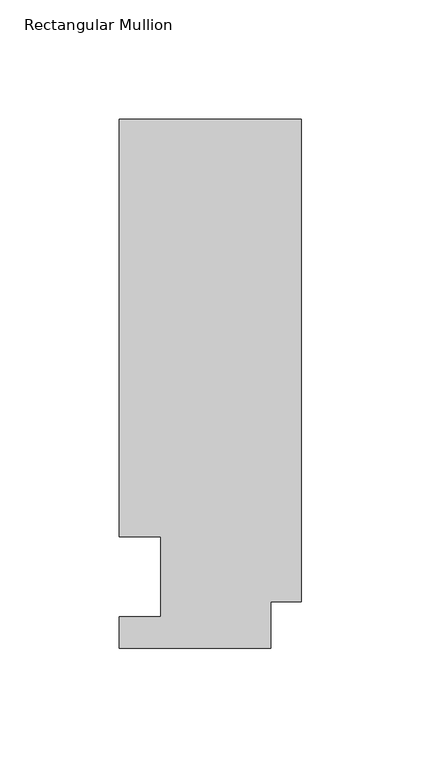
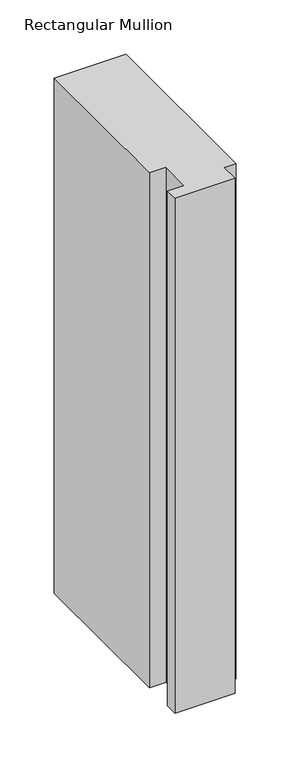
"""IFC4 building model written with IfcOpenShell, lengths in millimetres: member geometry, Rectangular Mullion."""

import ifcopenshell
import ifcopenshell.guid

model = None  # the IFC model being written
_history = None  # IfcOwnerHistory: only IFC2X3 demands one
_inside = {}  # id of a spatial element -> (the spatial element, [elements in it])
_under = {}  # id of a project, library or spatial element -> (it, [spatial elements below it])
_declared = {}  # id of a project -> (the project, [libraries it declares])
_typed = {}  # id of a type object -> (the type object, [elements of that type])
_made_of = {}  # id of a material, layer set ... -> (it, [elements and type objects made of it])


def new_model(schema):
    """Start an empty IFC model of exactly this schema.

    Asked for "IFC4X3", IfcOpenShell would pick the latest addendum, in which some entities
    have other attributes; the version numbers below select the first issue.
    IFC2X3 requires an IfcOwnerHistory on every rooted entity: one is made here for all.
    """
    global model, _history
    if schema == "IFC4X3":
        model = ifcopenshell.file(schema_version=(4, 3, 0, 0))
    else:
        model = ifcopenshell.file(schema=schema)
    _inside.clear()
    _under.clear()
    _declared.clear()
    _typed.clear()
    _made_of.clear()
    _history = None
    if model.schema == "IFC2X3":
        org = make("IfcOrganization", Name="unknown")
        user = make(
            "IfcPersonAndOrganization",
            ThePerson=make("IfcPerson", FamilyName="unknown"),
            TheOrganization=org,
        )
        app = make(
            "IfcApplication",
            ApplicationDeveloper=org,
            Version="unknown",
            ApplicationFullName="unknown",
            ApplicationIdentifier="unknown",
        )
        _history = make(
            "IfcOwnerHistory",
            OwningUser=user,
            OwningApplication=app,
            ChangeAction="ADDED",
            CreationDate=0,
        )
    return model


def make(cls, **values):
    """One entity of the class cls with the attributes given. An attribute that is None is left unset."""
    return model.create_entity(
        cls, **{name: value for name, value in values.items() if value is not None}
    )


def rooted(cls, **values):
    """An entity with a GlobalId (a new one), such as an element, a storey or a relation."""
    return make(cls, GlobalId=ifcopenshell.guid.new(), OwnerHistory=_history, **values)


def si_unit(unit_type, name, prefix=None):
    """IfcSIUnit, for example si_unit("LENGTHUNIT", "METRE", prefix="MILLI")."""
    return make("IfcSIUnit", UnitType=unit_type, Prefix=prefix, Name=name)


def assignment(units):
    """IfcUnitAssignment: the units of a project."""
    return None if units is None else make("IfcUnitAssignment", Units=units)


def point(xyz):
    """IfcCartesianPoint."""
    return None if xyz is None else make("IfcCartesianPoint", Coordinates=xyz)


def direction(xyz):
    """IfcDirection."""
    return None if xyz is None else make("IfcDirection", DirectionRatios=xyz)


def frame(location, z_axis=None, x_axis=None):
    """IfcAxis2Placement3D, a coordinate frame: its origin and axes. An axis left out is left unset."""
    return make(
        "IfcAxis2Placement3D",
        Location=point(location),
        Axis=direction(z_axis),
        RefDirection=direction(x_axis),
    )


def origin():
    """The frame at (0, 0, 0) with its axes left unset."""
    return frame((0.0, 0.0, 0.0))


def place(relative_to, where):
    """IfcLocalPlacement: puts the frame where relative to a parent placement (None: the world)."""
    return make(
        "IfcLocalPlacement", PlacementRelTo=relative_to, RelativePlacement=where
    )


def context(
    kind, dimensions, precision=None, world=None, true_north=None, identifier=None
):
    """IfcGeometricRepresentationContext, for example the 3D "Model" context."""
    return make(
        "IfcGeometricRepresentationContext",
        ContextIdentifier=identifier,
        ContextType=kind,
        CoordinateSpaceDimension=dimensions,
        Precision=precision,
        WorldCoordinateSystem=world,
        TrueNorth=true_north,
    )


def project(units=None, contexts=None):
    """IfcProject with its units and contexts."""
    return rooted(
        "IfcProject",
        Name="project",
        RepresentationContexts=contexts,
        UnitsInContext=assignment(units),
    )


def spatial(cls, under=None, at=None, **own):
    """A site, building, storey or space (cls), placed at a placement, below another one or the project."""
    s = rooted(cls, ObjectPlacement=at, **own)
    if under is not None:
        _under.setdefault(under.id(), (under, []))[1].append(s)
    return s


def polyline(points):
    """IfcPolyline through the points."""
    return make("IfcPolyline", Points=[point(p) for p in points])


def outline(outer, holes=None, kind="AREA"):
    """IfcArbitraryClosedProfileDef: a profile drawn as a closed curve; with holes, ...WithVoids."""
    if holes is None:
        return make("IfcArbitraryClosedProfileDef", ProfileType=kind, OuterCurve=outer)
    return make(
        "IfcArbitraryProfileDefWithVoids",
        ProfileType=kind,
        OuterCurve=outer,
        InnerCurves=holes,
    )


def extrude(swept, where, along, depth):
    """IfcExtrudedAreaSolid: the profile swept, set in the frame where, extruded along a direction by depth."""
    return make(
        "IfcExtrudedAreaSolid",
        SweptArea=swept,
        Position=where,
        ExtrudedDirection=direction(along),
        Depth=depth,
    )


def shape(context_of_items, identifier, shape_type, items):
    """IfcShapeRepresentation: the items that make up one representation, for example the "Body"."""
    return make(
        "IfcShapeRepresentation",
        ContextOfItems=context_of_items,
        RepresentationIdentifier=identifier,
        RepresentationType=shape_type,
        Items=items,
    )


def source(mapping_origin, context_of_items, identifier, shape_type, items):
    """IfcRepresentationMap: a shape defined once, which mapped items show again and again."""
    return make(
        "IfcRepresentationMap",
        MappingOrigin=mapping_origin,
        MappedRepresentation=shape(context_of_items, identifier, shape_type, items),
    )


def transform(
    local_origin,
    x_axis=None,
    y_axis=None,
    z_axis=None,
    scale=None,
    scale2=None,
    scale3=None,
    uniform=True,
):
    """IfcCartesianTransformationOperator3D, or its non-uniform kind. x_axis, y_axis, z_axis: its Axis1, 2, 3."""
    if uniform:
        return make(
            "IfcCartesianTransformationOperator3D",
            Axis1=direction(x_axis),
            Axis2=direction(y_axis),
            LocalOrigin=point(local_origin),
            Scale=scale,
            Axis3=direction(z_axis),
        )
    return make(
        "IfcCartesianTransformationOperator3DnonUniform",
        Axis1=direction(x_axis),
        Axis2=direction(y_axis),
        LocalOrigin=point(local_origin),
        Scale=scale,
        Axis3=direction(z_axis),
        Scale2=scale2,
        Scale3=scale3,
    )


def mapped(mapping_source, mapping_target):
    """IfcMappedItem: shows the shape of a source again, moved by a transform."""
    return make(
        "IfcMappedItem", MappingSource=mapping_source, MappingTarget=mapping_target
    )


def made_of(thing, what):
    """Note that an element or type object is made of a material, layer set ...; save() writes the relation."""
    if what is not None:
        _made_of.setdefault(what.id(), (what, []))[1].append(thing)
    return thing


def element(
    cls,
    number,
    at=None,
    inside=None,
    cuts=None,
    type_object=None,
    material=None,
    context=None,
    identifier="Body",
    shape_type=None,
    held_by="IfcProductDefinitionShape",
    body=None,
    shapes=None,
    **own,
):
    """One element of the class cls, such as IfcWall. Its Tag is "e" and its number.

    at: its placement. inside: the storey or other place that contains it. cuts: it is an
    opening in that element (IfcRelVoidsElement). A single representation is given by context,
    identifier, shape_type and body (its items); several are given by shapes. held_by: the class
    of the entity that holds the representations. save() writes the other relations.
    """
    e = rooted(cls, Tag="e%d" % number, ObjectPlacement=at, **own)
    if body is not None:
        shapes = [shape(context, identifier, shape_type, body)]
    if shapes is not None:
        e.Representation = make(held_by, Representations=shapes)
    if inside is not None:
        _inside.setdefault(inside.id(), (inside, []))[1].append(e)
    if cuts is not None:
        rooted(
            "IfcRelVoidsElement", RelatingBuildingElement=cuts, RelatedOpeningElement=e
        )
    if type_object is not None:
        _typed.setdefault(type_object.id(), (type_object, []))[1].append(e)
    return made_of(e, material)


def aggregate(whole, parts):
    """IfcRelAggregates: a whole, such as a stair, and the parts it consists of."""
    return rooted("IfcRelAggregates", RelatingObject=whole, RelatedObjects=parts)


def save(model, path):
    """Write the relations noted so far, then the file.

    IfcRelAggregates (storeys below a building ...), IfcRelContainedInSpatialStructure (elements
    in a storey), IfcRelDefinesByType, IfcRelAssociatesMaterial and IfcRelDeclares: one each for
    every whole, place, type object, material and project.
    """
    for whole, parts in _under.values():
        aggregate(whole, parts)
    for where, things in _inside.values():
        rooted(
            "IfcRelContainedInSpatialStructure",
            RelatedElements=things,
            RelatingStructure=where,
        )
    for kind, things in _typed.values():
        rooted("IfcRelDefinesByType", RelatedObjects=things, RelatingType=kind)
    for what, things in _made_of.values():
        rooted("IfcRelAssociatesMaterial", RelatedObjects=things, RelatingMaterial=what)
    for by, libraries in _declared.values():
        rooted("IfcRelDeclares", RelatingContext=by, RelatedDefinitions=libraries)
    model.write(path)


def rectangular_mullion_d2bd1630(model_context):
    return source(origin(), model_context, "Body", "SweptSolid", [
        extrude(outline(polyline([(0.0, 221.7507313), (0.0, 19.5667313), (-12.7, 19.5667313), (-12.7, 0.041758), (-76.2, 0.041758), (-76.2, 13.224358), (-58.7375002, 13.224358), (-58.7375002, 46.7447302), (-76.2000001, 46.7447302), (-76.2000001, 221.7507313), (0.0, 221.7507313)])), frame((0.0, 0.0, -577.85), z_axis=(0.0, 0.0, 1.0), x_axis=(1.0, 0.0, 0.0)), (0.0, 0.0, 1.0), 577.85),
    ])


if __name__ == "__main__":
    model = new_model("IFC4")
    model_context = context("Model", 3, world=origin())
    ifc_project = project(units=[si_unit("LENGTHUNIT", "METRE", prefix="MILLI")], contexts=[model_context])
    site = spatial("IfcSite", under=ifc_project)
    building = spatial("IfcBuilding", under=site)
    placement = place(None, origin())
    rectangular_mullion_shape = rectangular_mullion_d2bd1630(model_context)
    element("IfcMember", 1, ObjectType="Rectangular Mullion", at=placement, inside=building, context=model_context, shape_type="MappedRepresentation", body=[
        mapped(rectangular_mullion_shape, transform((0.0, 0.0, 0.0), x_axis=(1.0, 0.0, 0.0), y_axis=(0.0, 1.0, 0.0), z_axis=(0.0, 0.0, 1.0))),
    ])
    save(model, "model.ifc")
